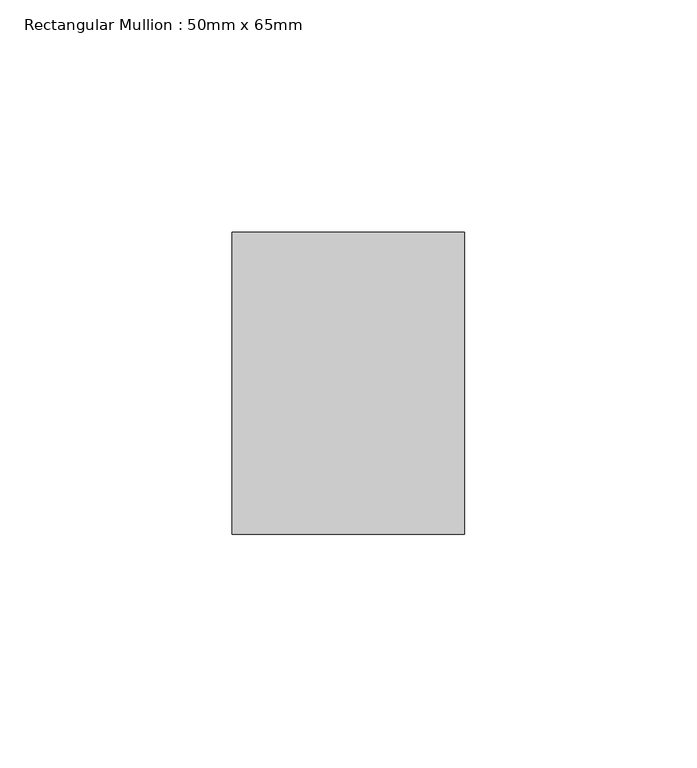
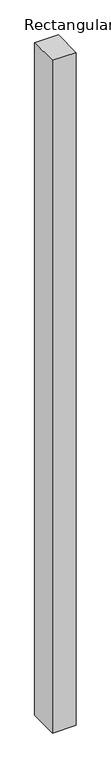
"""IFC4 building model written with IfcOpenShell, lengths in millimetres: member geometry, Rectangular Mullion : 50mm x 65mm."""

from ifc_helpers import new_model, si_unit, origin, place, context, project, spatial, faceted_brep, source, transform, mapped, element, save


def rectangular_mullion_50mm_x_65mm_4535c839(model_context):
    return source(origin(), model_context, "Body", "Brep", [
        faceted_brep([(-25.0, 32.5, -0.0980878), (25.0, 32.5, -0.0980879), (25.0, 32.5, -1499.8164796), (-25.0, 32.5, -1499.81648), (-25.0, -32.5, 0.0980879), (-25.0, -32.5, -1500.1836228), (25.0, -32.5, 0.0980878), (25.0, -32.5, -1500.1836225)], [[[0, 1, 2, 3]], [[4, 0, 3, 5]], [[6, 4, 5, 7]], [[1, 6, 7, 2]], [[1, 0, 4, 6]], [[2, 7, 5, 3]]]),
    ])


if __name__ == "__main__":
    model = new_model("IFC4")
    model_context = context("Model", 3, world=origin())
    ifc_project = project(units=[si_unit("LENGTHUNIT", "METRE", prefix="MILLI")], contexts=[model_context])
    site = spatial("IfcSite", under=ifc_project)
    building = spatial("IfcBuilding", under=site)
    placement = place(None, origin())
    rectangular_mullion_50mm_x_65mm_shape = rectangular_mullion_50mm_x_65mm_4535c839(model_context)
    element("IfcMember", 1, ObjectType="Rectangular Mullion : 50mm x 65mm", at=placement, inside=building, context=model_context, shape_type="MappedRepresentation", body=[
        mapped(rectangular_mullion_50mm_x_65mm_shape, transform((0.0, 0.0, 0.0), x_axis=(1.0, 0.0, 0.0), y_axis=(0.0, 1.0, 0.0), z_axis=(0.0, 0.0, 1.0))),
    ])
    save(model, "model.ifc")
